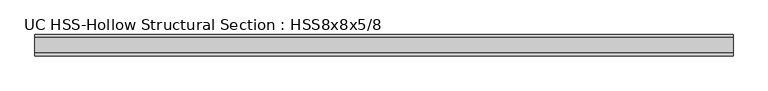
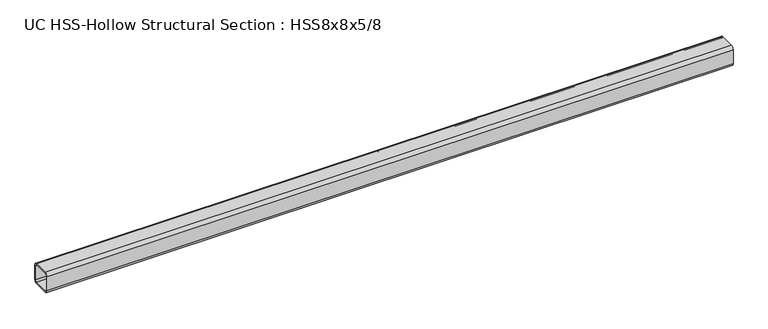
"""IFC4 building model written with IfcOpenShell, lengths in millimetres: beam geometry, UC HSS-Hollow Structural Section : HSS8x8x5/8."""

from ifc_helpers import new_model, si_unit, point, frame, frame_2d, origin, place, context, project, spatial, polyline, circle_curve, trimmed, segment, composite_curve, outline, extrude, source, transform, mapped, element, save


def uc_hss_hollow_structural_section_hss8x8x5_8_d29638c4(model_context):
    return source(origin(), model_context, "Body", "SweptSolid", [
        extrude(outline(composite_curve([segment(trimmed(circle_curve(frame_2d((-72.0852, 72.0852)), 29.5148), [point((-101.6, 72.0852))], [point((-72.0852, 101.6))], False, "CARTESIAN"), True, "CONTINUOUS"), segment(polyline([(-72.0852, 101.6), (72.0852, 101.6)]), True, "CONTINUOUS"), segment(trimmed(circle_curve(frame_2d((72.0852, 72.0852)), 29.5148), [point((72.0852, 101.6))], [point((101.6, 72.0852))], False, "CARTESIAN"), True, "CONTINUOUS"), segment(polyline([(101.6, 72.0852), (101.6, -72.0852)]), True, "CONTINUOUS"), segment(trimmed(circle_curve(frame_2d((72.0852, -72.0852)), 29.5148), [point((101.6, -72.0852))], [point((72.0852, -101.6))], False, "CARTESIAN"), True, "CONTINUOUS"), segment(polyline([(72.0852, -101.6), (-72.0852, -101.6)]), True, "CONTINUOUS"), segment(trimmed(circle_curve(frame_2d((-72.0852, -72.0852)), 29.5148), [point((-72.0852, -101.6))], [point((-101.6, -72.0852))], False, "CARTESIAN"), True, "CONTINUOUS"), segment(polyline([(-101.6, -72.0852), (-101.6, 72.0852)]), True, "CONTINUOUS")], self_intersect=False), holes=[composite_curve([segment(polyline([(72.0852, 86.8426), (-72.0852, 86.8426)]), True, "CONTINUOUS"), segment(trimmed(circle_curve(frame_2d((-72.0852, 72.0852)), 14.7574), [point((-72.0852, 86.8426))], [point((-86.8426, 72.0852))], True, "CARTESIAN"), True, "CONTINUOUS"), segment(polyline([(-86.8426, 72.0852), (-86.8426, -72.0852)]), True, "CONTINUOUS"), segment(trimmed(circle_curve(frame_2d((-72.0852, -72.0852)), 14.7574), [point((-86.8426, -72.0852))], [point((-72.0852, -86.8426))], True, "CARTESIAN"), True, "CONTINUOUS"), segment(polyline([(-72.0852, -86.8426), (72.0852, -86.8426)]), True, "CONTINUOUS"), segment(trimmed(circle_curve(frame_2d((72.0852, -72.0852)), 14.7574), [point((72.0852, -86.8426))], [point((86.8426, -72.0852))], True, "CARTESIAN"), True, "CONTINUOUS"), segment(polyline([(86.8426, -72.0852), (86.8426, 72.0852)]), True, "CONTINUOUS"), segment(trimmed(circle_curve(frame_2d((72.0852, 72.0852)), 14.7574), [point((86.8426, 72.0852))], [point((72.0852, 86.8426))], True, "CARTESIAN"), True, "CONTINUOUS")], self_intersect=False)]), frame((-3533.7731946, 0.0, 0.0), z_axis=(1.0, 0.0, 0.0), x_axis=(0.0, 1.0, 0.0)), (0.0, 0.0, 1.0), 6689.6142211),
    ])


if __name__ == "__main__":
    model = new_model("IFC4")
    model_context = context("Model", 3, world=origin())
    ifc_project = project(units=[si_unit("LENGTHUNIT", "METRE", prefix="MILLI")], contexts=[model_context])
    site = spatial("IfcSite", under=ifc_project)
    building = spatial("IfcBuilding", under=site)
    placement = place(None, origin())
    uc_hss_hollow_structural_section_hss8x8x5_8_shape = uc_hss_hollow_structural_section_hss8x8x5_8_d29638c4(model_context)
    element("IfcBeam", 1, ObjectType="UC HSS-Hollow Structural Section : HSS8x8x5/8", at=placement, inside=building, context=model_context, shape_type="MappedRepresentation", body=[
        mapped(uc_hss_hollow_structural_section_hss8x8x5_8_shape, transform((0.0, 0.0, 0.0), x_axis=(1.0, 0.0, 0.0), y_axis=(0.0, 1.0, 0.0), z_axis=(0.0, 0.0, 1.0))),
    ])
    save(model, "model.ifc")
